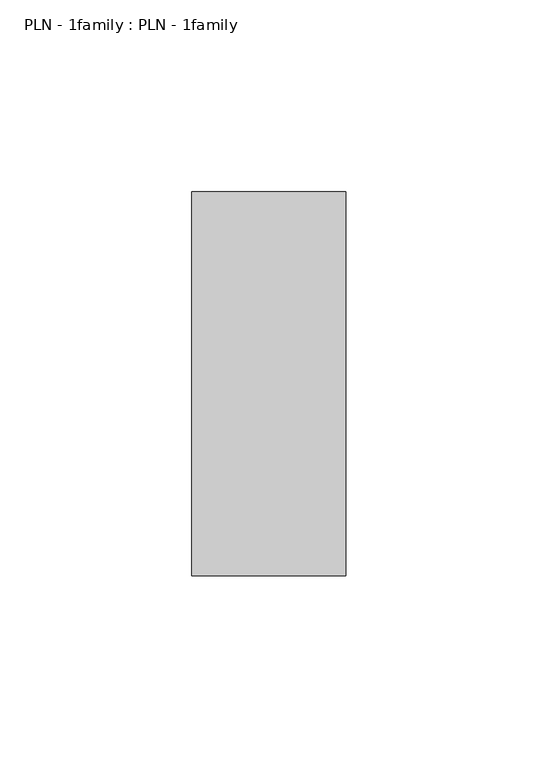
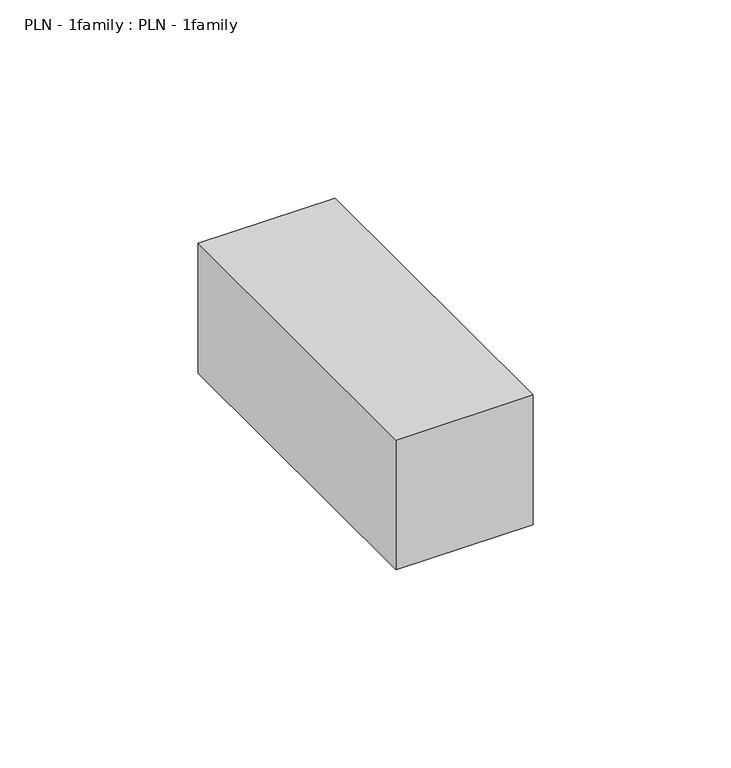
"""IFC4 building model written with IfcOpenShell, lengths in millimetres: proxy geometry, PLN - 1family : PLN - 1family."""

import ifcopenshell
import ifcopenshell.guid

model = None  # the IFC model being written
_history = None  # IfcOwnerHistory: only IFC2X3 demands one
_inside = {}  # id of a spatial element -> (the spatial element, [elements in it])
_under = {}  # id of a project, library or spatial element -> (it, [spatial elements below it])
_declared = {}  # id of a project -> (the project, [libraries it declares])
_typed = {}  # id of a type object -> (the type object, [elements of that type])
_made_of = {}  # id of a material, layer set ... -> (it, [elements and type objects made of it])


def new_model(schema):
    """Start an empty IFC model of exactly this schema.

    Asked for "IFC4X3", IfcOpenShell would pick the latest addendum, in which some entities
    have other attributes; the version numbers below select the first issue.
    IFC2X3 requires an IfcOwnerHistory on every rooted entity: one is made here for all.
    """
    global model, _history
    if schema == "IFC4X3":
        model = ifcopenshell.file(schema_version=(4, 3, 0, 0))
    else:
        model = ifcopenshell.file(schema=schema)
    _inside.clear()
    _under.clear()
    _declared.clear()
    _typed.clear()
    _made_of.clear()
    _history = None
    if model.schema == "IFC2X3":
        org = make("IfcOrganization", Name="unknown")
        user = make(
            "IfcPersonAndOrganization",
            ThePerson=make("IfcPerson", FamilyName="unknown"),
            TheOrganization=org,
        )
        app = make(
            "IfcApplication",
            ApplicationDeveloper=org,
            Version="unknown",
            ApplicationFullName="unknown",
            ApplicationIdentifier="unknown",
        )
        _history = make(
            "IfcOwnerHistory",
            OwningUser=user,
            OwningApplication=app,
            ChangeAction="ADDED",
            CreationDate=0,
        )
    return model


def make(cls, **values):
    """One entity of the class cls with the attributes given. An attribute that is None is left unset."""
    return model.create_entity(
        cls, **{name: value for name, value in values.items() if value is not None}
    )


def rooted(cls, **values):
    """An entity with a GlobalId (a new one), such as an element, a storey or a relation."""
    return make(cls, GlobalId=ifcopenshell.guid.new(), OwnerHistory=_history, **values)


def si_unit(unit_type, name, prefix=None):
    """IfcSIUnit, for example si_unit("LENGTHUNIT", "METRE", prefix="MILLI")."""
    return make("IfcSIUnit", UnitType=unit_type, Prefix=prefix, Name=name)


def assignment(units):
    """IfcUnitAssignment: the units of a project."""
    return None if units is None else make("IfcUnitAssignment", Units=units)


def point(xyz):
    """IfcCartesianPoint."""
    return None if xyz is None else make("IfcCartesianPoint", Coordinates=xyz)


def direction(xyz):
    """IfcDirection."""
    return None if xyz is None else make("IfcDirection", DirectionRatios=xyz)


def frame(location, z_axis=None, x_axis=None):
    """IfcAxis2Placement3D, a coordinate frame: its origin and axes. An axis left out is left unset."""
    return make(
        "IfcAxis2Placement3D",
        Location=point(location),
        Axis=direction(z_axis),
        RefDirection=direction(x_axis),
    )


def origin():
    """The frame at (0, 0, 0) with its axes left unset."""
    return frame((0.0, 0.0, 0.0))


def place(relative_to, where):
    """IfcLocalPlacement: puts the frame where relative to a parent placement (None: the world)."""
    return make(
        "IfcLocalPlacement", PlacementRelTo=relative_to, RelativePlacement=where
    )


def context(
    kind, dimensions, precision=None, world=None, true_north=None, identifier=None
):
    """IfcGeometricRepresentationContext, for example the 3D "Model" context."""
    return make(
        "IfcGeometricRepresentationContext",
        ContextIdentifier=identifier,
        ContextType=kind,
        CoordinateSpaceDimension=dimensions,
        Precision=precision,
        WorldCoordinateSystem=world,
        TrueNorth=true_north,
    )


def project(units=None, contexts=None):
    """IfcProject with its units and contexts."""
    return rooted(
        "IfcProject",
        Name="project",
        RepresentationContexts=contexts,
        UnitsInContext=assignment(units),
    )


def spatial(cls, under=None, at=None, **own):
    """A site, building, storey or space (cls), placed at a placement, below another one or the project."""
    s = rooted(cls, ObjectPlacement=at, **own)
    if under is not None:
        _under.setdefault(under.id(), (under, []))[1].append(s)
    return s


def polyline(points):
    """IfcPolyline through the points."""
    return make("IfcPolyline", Points=[point(p) for p in points])


def outline(outer, holes=None, kind="AREA"):
    """IfcArbitraryClosedProfileDef: a profile drawn as a closed curve; with holes, ...WithVoids."""
    if holes is None:
        return make("IfcArbitraryClosedProfileDef", ProfileType=kind, OuterCurve=outer)
    return make(
        "IfcArbitraryProfileDefWithVoids",
        ProfileType=kind,
        OuterCurve=outer,
        InnerCurves=holes,
    )


def extrude(swept, where, along, depth):
    """IfcExtrudedAreaSolid: the profile swept, set in the frame where, extruded along a direction by depth."""
    return make(
        "IfcExtrudedAreaSolid",
        SweptArea=swept,
        Position=where,
        ExtrudedDirection=direction(along),
        Depth=depth,
    )


def shape(context_of_items, identifier, shape_type, items):
    """IfcShapeRepresentation: the items that make up one representation, for example the "Body"."""
    return make(
        "IfcShapeRepresentation",
        ContextOfItems=context_of_items,
        RepresentationIdentifier=identifier,
        RepresentationType=shape_type,
        Items=items,
    )


def source(mapping_origin, context_of_items, identifier, shape_type, items):
    """IfcRepresentationMap: a shape defined once, which mapped items show again and again."""
    return make(
        "IfcRepresentationMap",
        MappingOrigin=mapping_origin,
        MappedRepresentation=shape(context_of_items, identifier, shape_type, items),
    )


def transform(
    local_origin,
    x_axis=None,
    y_axis=None,
    z_axis=None,
    scale=None,
    scale2=None,
    scale3=None,
    uniform=True,
):
    """IfcCartesianTransformationOperator3D, or its non-uniform kind. x_axis, y_axis, z_axis: its Axis1, 2, 3."""
    if uniform:
        return make(
            "IfcCartesianTransformationOperator3D",
            Axis1=direction(x_axis),
            Axis2=direction(y_axis),
            LocalOrigin=point(local_origin),
            Scale=scale,
            Axis3=direction(z_axis),
        )
    return make(
        "IfcCartesianTransformationOperator3DnonUniform",
        Axis1=direction(x_axis),
        Axis2=direction(y_axis),
        LocalOrigin=point(local_origin),
        Scale=scale,
        Axis3=direction(z_axis),
        Scale2=scale2,
        Scale3=scale3,
    )


def mapped(mapping_source, mapping_target):
    """IfcMappedItem: shows the shape of a source again, moved by a transform."""
    return make(
        "IfcMappedItem", MappingSource=mapping_source, MappingTarget=mapping_target
    )


def made_of(thing, what):
    """Note that an element or type object is made of a material, layer set ...; save() writes the relation."""
    if what is not None:
        _made_of.setdefault(what.id(), (what, []))[1].append(thing)
    return thing


def element(
    cls,
    number,
    at=None,
    inside=None,
    cuts=None,
    type_object=None,
    material=None,
    context=None,
    identifier="Body",
    shape_type=None,
    held_by="IfcProductDefinitionShape",
    body=None,
    shapes=None,
    **own,
):
    """One element of the class cls, such as IfcWall. Its Tag is "e" and its number.

    at: its placement. inside: the storey or other place that contains it. cuts: it is an
    opening in that element (IfcRelVoidsElement). A single representation is given by context,
    identifier, shape_type and body (its items); several are given by shapes. held_by: the class
    of the entity that holds the representations. save() writes the other relations.
    """
    e = rooted(cls, Tag="e%d" % number, ObjectPlacement=at, **own)
    if body is not None:
        shapes = [shape(context, identifier, shape_type, body)]
    if shapes is not None:
        e.Representation = make(held_by, Representations=shapes)
    if inside is not None:
        _inside.setdefault(inside.id(), (inside, []))[1].append(e)
    if cuts is not None:
        rooted(
            "IfcRelVoidsElement", RelatingBuildingElement=cuts, RelatedOpeningElement=e
        )
    if type_object is not None:
        _typed.setdefault(type_object.id(), (type_object, []))[1].append(e)
    return made_of(e, material)


def aggregate(whole, parts):
    """IfcRelAggregates: a whole, such as a stair, and the parts it consists of."""
    return rooted("IfcRelAggregates", RelatingObject=whole, RelatedObjects=parts)


def save(model, path):
    """Write the relations noted so far, then the file.

    IfcRelAggregates (storeys below a building ...), IfcRelContainedInSpatialStructure (elements
    in a storey), IfcRelDefinesByType, IfcRelAssociatesMaterial and IfcRelDeclares: one each for
    every whole, place, type object, material and project.
    """
    for whole, parts in _under.values():
        aggregate(whole, parts)
    for where, things in _inside.values():
        rooted(
            "IfcRelContainedInSpatialStructure",
            RelatedElements=things,
            RelatingStructure=where,
        )
    for kind, things in _typed.values():
        rooted("IfcRelDefinesByType", RelatedObjects=things, RelatingType=kind)
    for what, things in _made_of.values():
        rooted("IfcRelAssociatesMaterial", RelatedObjects=things, RelatingMaterial=what)
    for by, libraries in _declared.values():
        rooted("IfcRelDeclares", RelatingContext=by, RelatedDefinitions=libraries)
    model.write(path)


def pln_1family_pln_1family_859a2ff6(model_context):
    return source(origin(), model_context, "Body", "SweptSolid", [
        extrude(outline(polyline([(0.0, -100.0), (0.0, 0.0), (40.0, 0.0), (40.0, -100.0), (0.0, -100.0)])), frame((0.0, 0.0, 50.0), z_axis=(0.0, 0.0, 1.0), x_axis=(1.0, 0.0, 0.0)), (0.0, 0.0, 1.0), 40.0),
    ])


if __name__ == "__main__":
    model = new_model("IFC4")
    model_context = context("Model", 3, world=origin())
    ifc_project = project(units=[si_unit("LENGTHUNIT", "METRE", prefix="MILLI")], contexts=[model_context])
    site = spatial("IfcSite", under=ifc_project)
    building = spatial("IfcBuilding", under=site)
    placement = place(None, origin())
    pln_1family_pln_1family_shape = pln_1family_pln_1family_859a2ff6(model_context)
    element("IfcBuildingElementProxy", 1, Name="PLN - 1family : PLN - 1family", ObjectType="PLN - 1family : PLN - 1family", at=placement, inside=building, context=model_context, shape_type="MappedRepresentation", body=[
        mapped(pln_1family_pln_1family_shape, transform((0.0, 0.0, 0.0), x_axis=(1.0, 0.0, 0.0), y_axis=(0.0, 1.0, 0.0), z_axis=(0.0, 0.0, 1.0))),
    ])
    save(model, "model.ifc")
